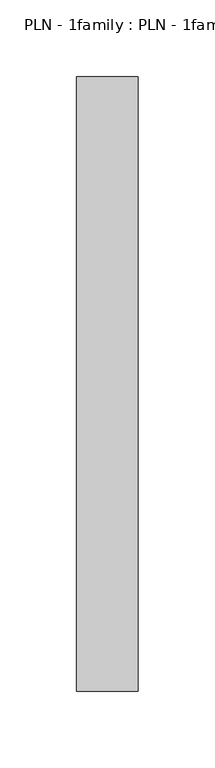
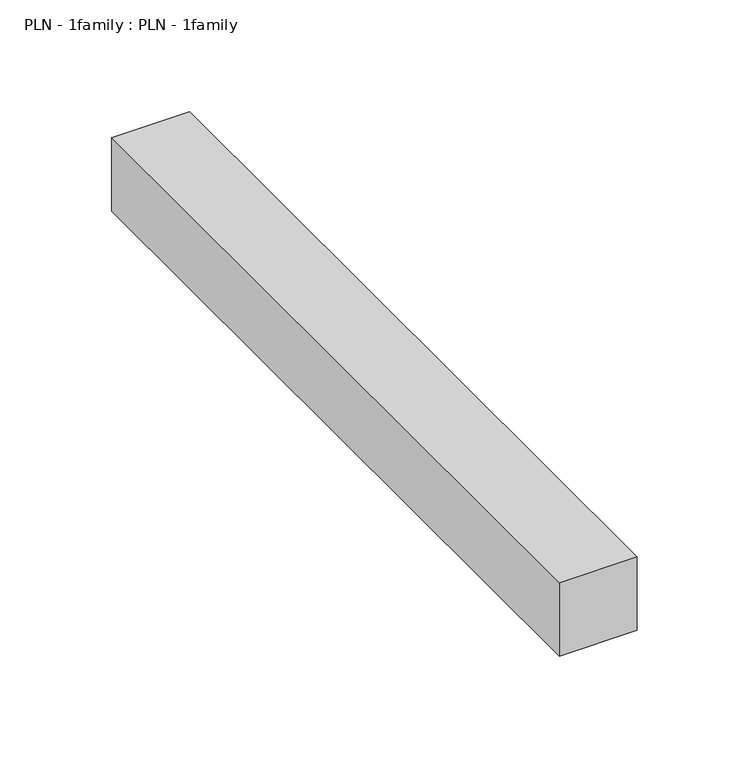
"""IFC4 building model written with IfcOpenShell, lengths in millimetres: proxy geometry, PLN - 1family : PLN - 1family."""

import ifcopenshell
import ifcopenshell.guid

model = None  # the IFC model being written
_history = None  # IfcOwnerHistory: only IFC2X3 demands one
_inside = {}  # id of a spatial element -> (the spatial element, [elements in it])
_under = {}  # id of a project, library or spatial element -> (it, [spatial elements below it])
_declared = {}  # id of a project -> (the project, [libraries it declares])
_typed = {}  # id of a type object -> (the type object, [elements of that type])
_made_of = {}  # id of a material, layer set ... -> (it, [elements and type objects made of it])


def new_model(schema):
    """Start an empty IFC model of exactly this schema.

    Asked for "IFC4X3", IfcOpenShell would pick the latest addendum, in which some entities
    have other attributes; the version numbers below select the first issue.
    IFC2X3 requires an IfcOwnerHistory on every rooted entity: one is made here for all.
    """
    global model, _history
    if schema == "IFC4X3":
        model = ifcopenshell.file(schema_version=(4, 3, 0, 0))
    else:
        model = ifcopenshell.file(schema=schema)
    _inside.clear()
    _under.clear()
    _declared.clear()
    _typed.clear()
    _made_of.clear()
    _history = None
    if model.schema == "IFC2X3":
        org = make("IfcOrganization", Name="unknown")
        user = make(
            "IfcPersonAndOrganization",
            ThePerson=make("IfcPerson", FamilyName="unknown"),
            TheOrganization=org,
        )
        app = make(
            "IfcApplication",
            ApplicationDeveloper=org,
            Version="unknown",
            ApplicationFullName="unknown",
            ApplicationIdentifier="unknown",
        )
        _history = make(
            "IfcOwnerHistory",
            OwningUser=user,
            OwningApplication=app,
            ChangeAction="ADDED",
            CreationDate=0,
        )
    return model


def make(cls, **values):
    """One entity of the class cls with the attributes given. An attribute that is None is left unset."""
    return model.create_entity(
        cls, **{name: value for name, value in values.items() if value is not None}
    )


def rooted(cls, **values):
    """An entity with a GlobalId (a new one), such as an element, a storey or a relation."""
    return make(cls, GlobalId=ifcopenshell.guid.new(), OwnerHistory=_history, **values)


def si_unit(unit_type, name, prefix=None):
    """IfcSIUnit, for example si_unit("LENGTHUNIT", "METRE", prefix="MILLI")."""
    return make("IfcSIUnit", UnitType=unit_type, Prefix=prefix, Name=name)


def assignment(units):
    """IfcUnitAssignment: the units of a project."""
    return None if units is None else make("IfcUnitAssignment", Units=units)


def point(xyz):
    """IfcCartesianPoint."""
    return None if xyz is None else make("IfcCartesianPoint", Coordinates=xyz)


def direction(xyz):
    """IfcDirection."""
    return None if xyz is None else make("IfcDirection", DirectionRatios=xyz)


def frame(location, z_axis=None, x_axis=None):
    """IfcAxis2Placement3D, a coordinate frame: its origin and axes. An axis left out is left unset."""
    return make(
        "IfcAxis2Placement3D",
        Location=point(location),
        Axis=direction(z_axis),
        RefDirection=direction(x_axis),
    )


def origin():
    """The frame at (0, 0, 0) with its axes left unset."""
    return frame((0.0, 0.0, 0.0))


def place(relative_to, where):
    """IfcLocalPlacement: puts the frame where relative to a parent placement (None: the world)."""
    return make(
        "IfcLocalPlacement", PlacementRelTo=relative_to, RelativePlacement=where
    )


def context(
    kind, dimensions, precision=None, world=None, true_north=None, identifier=None
):
    """IfcGeometricRepresentationContext, for example the 3D "Model" context."""
    return make(
        "IfcGeometricRepresentationContext",
        ContextIdentifier=identifier,
        ContextType=kind,
        CoordinateSpaceDimension=dimensions,
        Precision=precision,
        WorldCoordinateSystem=world,
        TrueNorth=true_north,
    )


def project(units=None, contexts=None):
    """IfcProject with its units and contexts."""
    return rooted(
        "IfcProject",
        Name="project",
        RepresentationContexts=contexts,
        UnitsInContext=assignment(units),
    )


def spatial(cls, under=None, at=None, **own):
    """A site, building, storey or space (cls), placed at a placement, below another one or the project."""
    s = rooted(cls, ObjectPlacement=at, **own)
    if under is not None:
        _under.setdefault(under.id(), (under, []))[1].append(s)
    return s


def polyline(points):
    """IfcPolyline through the points."""
    return make("IfcPolyline", Points=[point(p) for p in points])


def outline(outer, holes=None, kind="AREA"):
    """IfcArbitraryClosedProfileDef: a profile drawn as a closed curve; with holes, ...WithVoids."""
    if holes is None:
        return make("IfcArbitraryClosedProfileDef", ProfileType=kind, OuterCurve=outer)
    return make(
        "IfcArbitraryProfileDefWithVoids",
        ProfileType=kind,
        OuterCurve=outer,
        InnerCurves=holes,
    )


def extrude(swept, where, along, depth):
    """IfcExtrudedAreaSolid: the profile swept, set in the frame where, extruded along a direction by depth."""
    return make(
        "IfcExtrudedAreaSolid",
        SweptArea=swept,
        Position=where,
        ExtrudedDirection=direction(along),
        Depth=depth,
    )


def shape(context_of_items, identifier, shape_type, items):
    """IfcShapeRepresentation: the items that make up one representation, for example the "Body"."""
    return make(
        "IfcShapeRepresentation",
        ContextOfItems=context_of_items,
        RepresentationIdentifier=identifier,
        RepresentationType=shape_type,
        Items=items,
    )


def source(mapping_origin, context_of_items, identifier, shape_type, items):
    """IfcRepresentationMap: a shape defined once, which mapped items show again and again."""
    return make(
        "IfcRepresentationMap",
        MappingOrigin=mapping_origin,
        MappedRepresentation=shape(context_of_items, identifier, shape_type, items),
    )


def transform(
    local_origin,
    x_axis=None,
    y_axis=None,
    z_axis=None,
    scale=None,
    scale2=None,
    scale3=None,
    uniform=True,
):
    """IfcCartesianTransformationOperator3D, or its non-uniform kind. x_axis, y_axis, z_axis: its Axis1, 2, 3."""
    if uniform:
        return make(
            "IfcCartesianTransformationOperator3D",
            Axis1=direction(x_axis),
            Axis2=direction(y_axis),
            LocalOrigin=point(local_origin),
            Scale=scale,
            Axis3=direction(z_axis),
        )
    return make(
        "IfcCartesianTransformationOperator3DnonUniform",
        Axis1=direction(x_axis),
        Axis2=direction(y_axis),
        LocalOrigin=point(local_origin),
        Scale=scale,
        Axis3=direction(z_axis),
        Scale2=scale2,
        Scale3=scale3,
    )


def mapped(mapping_source, mapping_target):
    """IfcMappedItem: shows the shape of a source again, moved by a transform."""
    return make(
        "IfcMappedItem", MappingSource=mapping_source, MappingTarget=mapping_target
    )


def made_of(thing, what):
    """Note that an element or type object is made of a material, layer set ...; save() writes the relation."""
    if what is not None:
        _made_of.setdefault(what.id(), (what, []))[1].append(thing)
    return thing


def element(
    cls,
    number,
    at=None,
    inside=None,
    cuts=None,
    type_object=None,
    material=None,
    context=None,
    identifier="Body",
    shape_type=None,
    held_by="IfcProductDefinitionShape",
    body=None,
    shapes=None,
    **own,
):
    """One element of the class cls, such as IfcWall. Its Tag is "e" and its number.

    at: its placement. inside: the storey or other place that contains it. cuts: it is an
    opening in that element (IfcRelVoidsElement). A single representation is given by context,
    identifier, shape_type and body (its items); several are given by shapes. held_by: the class
    of the entity that holds the representations. save() writes the other relations.
    """
    e = rooted(cls, Tag="e%d" % number, ObjectPlacement=at, **own)
    if body is not None:
        shapes = [shape(context, identifier, shape_type, body)]
    if shapes is not None:
        e.Representation = make(held_by, Representations=shapes)
    if inside is not None:
        _inside.setdefault(inside.id(), (inside, []))[1].append(e)
    if cuts is not None:
        rooted(
            "IfcRelVoidsElement", RelatingBuildingElement=cuts, RelatedOpeningElement=e
        )
    if type_object is not None:
        _typed.setdefault(type_object.id(), (type_object, []))[1].append(e)
    return made_of(e, material)


def aggregate(whole, parts):
    """IfcRelAggregates: a whole, such as a stair, and the parts it consists of."""
    return rooted("IfcRelAggregates", RelatingObject=whole, RelatedObjects=parts)


def save(model, path):
    """Write the relations noted so far, then the file.

    IfcRelAggregates (storeys below a building ...), IfcRelContainedInSpatialStructure (elements
    in a storey), IfcRelDefinesByType, IfcRelAssociatesMaterial and IfcRelDeclares: one each for
    every whole, place, type object, material and project.
    """
    for whole, parts in _under.values():
        aggregate(whole, parts)
    for where, things in _inside.values():
        rooted(
            "IfcRelContainedInSpatialStructure",
            RelatedElements=things,
            RelatingStructure=where,
        )
    for kind, things in _typed.values():
        rooted("IfcRelDefinesByType", RelatedObjects=things, RelatingType=kind)
    for what, things in _made_of.values():
        rooted("IfcRelAssociatesMaterial", RelatedObjects=things, RelatingMaterial=what)
    for by, libraries in _declared.values():
        rooted("IfcRelDeclares", RelatingContext=by, RelatedDefinitions=libraries)
    model.write(path)


def pln_1family_pln_1family_6ff78434(model_context):
    return source(origin(), model_context, "Body", "SweptSolid", [
        extrude(outline(polyline([(0.0, 400.0), (40.0, 400.0), (40.0, 0.0), (0.0, 0.0), (0.0, 400.0)])), frame((0.0, 0.0, 200.0), z_axis=(0.0, 0.0, 1.0), x_axis=(1.0, 0.0, 0.0)), (0.0, 0.0, 1.0), 40.0),
    ])


if __name__ == "__main__":
    model = new_model("IFC4")
    model_context = context("Model", 3, world=origin())
    ifc_project = project(units=[si_unit("LENGTHUNIT", "METRE", prefix="MILLI")], contexts=[model_context])
    site = spatial("IfcSite", under=ifc_project)
    building = spatial("IfcBuilding", under=site)
    placement = place(None, origin())
    pln_1family_pln_1family_shape = pln_1family_pln_1family_6ff78434(model_context)
    element("IfcBuildingElementProxy", 1, Name="PLN - 1family : PLN - 1family", ObjectType="PLN - 1family : PLN - 1family", at=placement, inside=building, context=model_context, shape_type="MappedRepresentation", body=[
        mapped(pln_1family_pln_1family_shape, transform((0.0, 0.0, 0.0), x_axis=(1.0, 0.0, 0.0), y_axis=(0.0, 1.0, 0.0), z_axis=(0.0, 0.0, 1.0))),
    ])
    save(model, "model.ifc")
